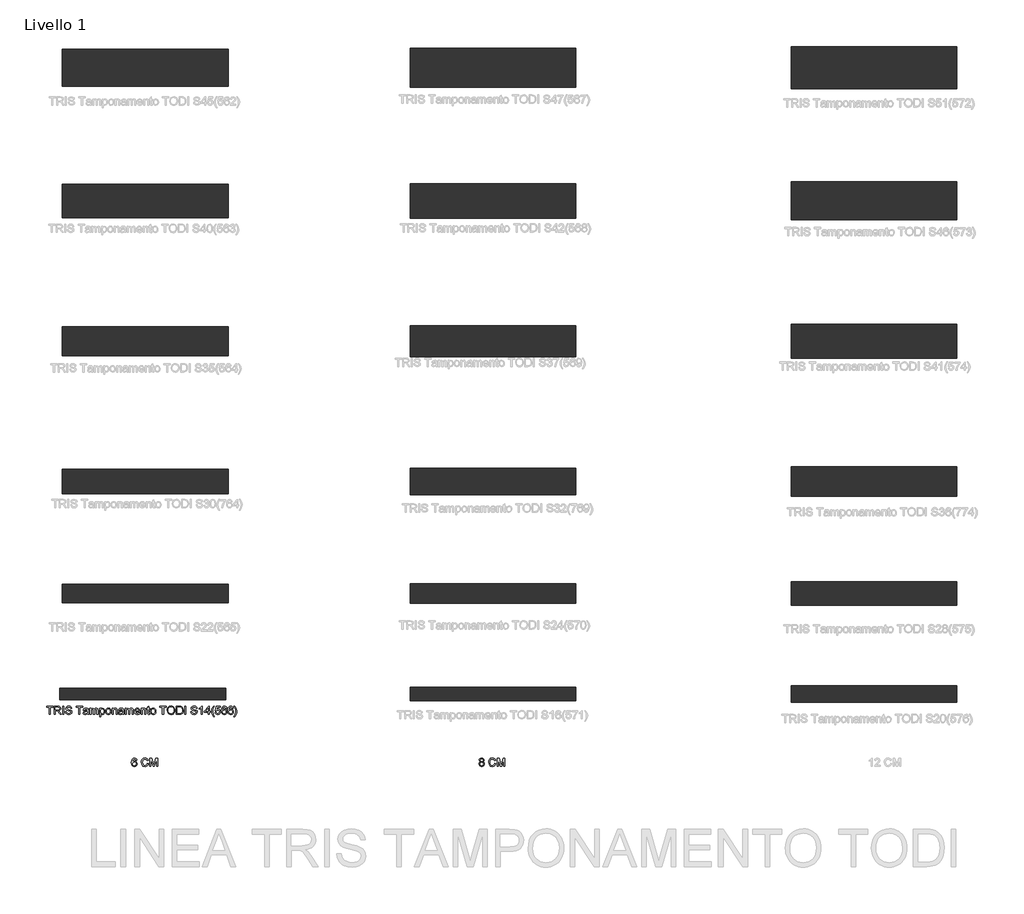
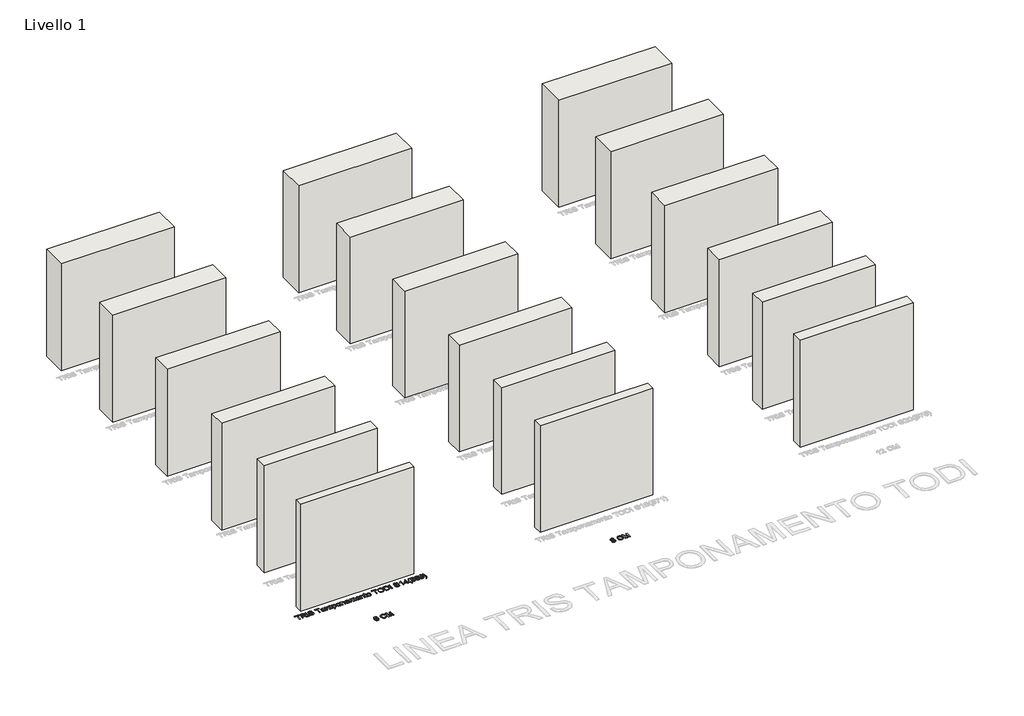
# One storey, part 1 of 18: 18 walls, 3 proxies.
"""IFC4 building model written with IfcOpenShell, lengths in millimetres."""

from ifc_helpers import new_model, si_unit, origin, origin_with_axes, place, context, project, spatial, polyline, outline, extrude, element, save

model = new_model("IFC4")

# Units and contexts
model_context = context("Model", 3, world=origin())
ifc_project = project(units=[si_unit("LENGTHUNIT", "METRE", prefix="MILLI")], contexts=[model_context])

# Site, building, storey
site = spatial("IfcSite", under=ifc_project)
building = spatial("IfcBuilding", under=site)
storey = spatial("IfcBuildingStorey", under=building, Name="Livello 1", Elevation=0.0)

# Proxies
placement = place(None, origin())
element("IfcBuildingElementProxy", 1, Name="100", ObjectType="100", at=placement, inside=storey, context=model_context, shape_type="SweptSolid", body=[
    extrude(outline(polyline([(-4520.2554524, -4763.4862238), (-4532.8124911, -4765.0558537), (-4537.5704316, -4754.5834795), (-4550.1519958, -4749.3595552), (-4561.4827613, -4752.400713), (-4570.0544118, -4763.8173176), (-4573.6228671, -4786.1968057), (-4562.5496191, -4776.1781527), (-4548.8276206, -4772.9040029), (-4537.2270751, -4775.1419517), (-4527.4904649, -4781.8557981), (-4520.8869831, -4792.1135744), (-4518.6858225, -4804.9833129), (-4522.8306263, -4822.3105549), (-4534.2349682, -4834.573288), (-4550.6915561, -4838.8284564), (-4564.9377864, -4836.0080278), (-4576.2838802, -4827.5467419), (-4583.7058995, -4812.6107329), (-4586.1799059, -4790.3661349), (-4583.4330537, -4765.3562906), (-4575.192497, -4748.2559092), (-4563.9414393, -4739.6658646), (-4549.3671809, -4736.8025164), (-4538.3491151, -4738.5744814), (-4529.5260786, -4743.8903762), (-4523.3456611, -4752.333268), (-4520.2554524, -4763.4862238)]), holes=[polyline([(-4573.6228671, -4804.7871092), (-4570.7165994, -4815.6641535), (-4562.9910775, -4823.5613536), (-4551.6725747, -4826.2714177), (-4543.3860328, -4824.8673347), (-4536.8714558, -4820.6550859), (-4532.6500099, -4814.03321), (-4531.2428613, -4805.4002458), (-4532.6316158, -4797.1137039), (-4536.7978794, -4790.7953306), (-4543.422821, -4786.7946139), (-4552.1876095, -4785.4610417), (-4567.3811359, -4790.7953306), (-4572.0624343, -4796.9604197), (-4573.6228671, -4804.7871092)])]), origin_with_axes(), (0.0, 0.0, 1.0), 5.0),
    extrude(outline(polyline([(-4393.1154348, -4801.5497476), (-4380.5583961, -4804.7871092), (-4386.3525375, -4819.4196155), (-4395.4453541, -4830.1096532), (-4407.3892562, -4836.6487556), (-4421.736654, -4838.8284564), (-4436.3017154, -4837.1791188), (-4447.8685384, -4832.231106), (-4456.7344945, -4824.1560962), (-4463.1969549, -4813.1257677), (-4468.4576674, -4786.2703821), (-4466.970811, -4771.6225473), (-4462.5102418, -4758.973538), (-4455.3089518, -4748.7249588), (-4445.5999328, -4741.2784141), (-4434.0852264, -4736.7442685), (-4421.4668739, -4735.2328866), (-4407.6988902, -4737.1887925), (-4396.3160082, -4743.0565104), (-4387.673847, -4752.4742894), (-4382.1280259, -4765.0803791), (-4394.6850647, -4768.072486), (-4404.9857605, -4752.633705), (-4421.9573832, -4747.7899254), (-4441.6022818, -4753.1610025), (-4452.7000553, -4767.5819767), (-4455.9006287, -4786.2458566), (-4452.1114441, -4807.8773179), (-4440.3146948, -4821.6974182), (-4422.9874528, -4826.2714177), (-4412.5058816, -4824.7140506), (-4403.7717499, -4820.0419492), (-4397.1774652, -4812.3041646), (-4393.1154348, -4801.5497476)])), origin_with_axes(), (0.0, 0.0, 1.0), 5.0),
    extrude(outline(polyline([(-4363.2924677, -4837.2588266), (-4363.2924677, -4736.8025164), (-4341.6855319, -4736.8025164), (-4321.1331911, -4807.6075378), (-4316.9883873, -4822.396394), (-4312.5002269, -4806.3812645), (-4292.2912427, -4736.8025164), (-4270.6843068, -4736.8025164), (-4270.6843068, -4837.2588266), (-4283.2413456, -4837.2588266), (-4283.2413456, -4749.3595552), (-4308.4780505, -4837.2588266), (-4325.4987241, -4837.2588266), (-4350.735429, -4749.3595552), (-4350.735429, -4837.2588266), (-4363.2924677, -4837.2588266)])), origin_with_axes(), (0.0, 0.0, 1.0), 5.0),
])
element("IfcBuildingElementProxy", 2, Name="100", ObjectType="100", at=placement, inside=storey, context=model_context, shape_type="SweptSolid", body=[
    extrude(outline(polyline([(-372.0477209, -4781.9293745), (-383.488851, -4774.1302762), (-387.2044591, -4761.9901704), (-385.1811082, -4752.1738525), (-379.1110552, -4744.0620545), (-369.6748821, -4738.617401), (-357.5531703, -4736.8025164), (-345.3578822, -4738.6603205), (-335.7990817, -4744.2337327), (-329.6186641, -4752.4742894), (-327.558525, -4762.3335269), (-331.2250822, -4774.1670644), (-342.3473812, -4781.9293745), (-328.9932648, -4791.7763493), (-324.4192653, -4808.0244707), (-326.6878709, -4820.0296865), (-333.4936878, -4829.9502376), (-344.0028502, -4836.6089017), (-357.3814921, -4838.8284564), (-370.7601339, -4836.5997047), (-381.2692963, -4829.9134494), (-388.0751132, -4819.8978621), (-390.3437188, -4807.6811142), (-385.5857783, -4791.052848), (-372.0477209, -4781.9293745)]), holes=[polyline([(-377.7866801, -4807.2396558), (-375.6897527, -4816.6942231), (-368.2707991, -4823.7698201), (-357.2833902, -4826.2714177), (-348.7362652, -4824.9562395), (-342.3228557, -4821.0107051), (-336.9763041, -4807.6320633), (-342.494534, -4793.995904), (-349.0550962, -4789.949202), (-357.7003231, -4788.6003014), (-366.1278865, -4789.9308079), (-372.4769166, -4793.9223276), (-377.7866801, -4807.2396558)]), polyline([(-374.6474204, -4762.3580524), (-370.1960482, -4772.2172898), (-357.2343393, -4776.0432626), (-344.5301477, -4772.2418153), (-340.1155637, -4762.9221381), (-344.6773005, -4753.2713671), (-357.3814921, -4749.3595552), (-370.1224718, -4753.185528), (-374.6474204, -4762.3580524)])]), origin_with_axes(), (0.0, 0.0, 1.0), 5.0),
    extrude(outline(polyline([(-198.8488776, -4801.5497476), (-186.2918388, -4804.7871092), (-192.0859803, -4819.4196155), (-201.1787969, -4830.1096532), (-213.122699, -4836.6487556), (-227.4700968, -4838.8284564), (-242.0351581, -4837.1791188), (-253.6019812, -4832.231106), (-262.4679373, -4824.1560962), (-268.9303977, -4813.1257677), (-274.1911102, -4786.2703821), (-272.7042538, -4771.6225473), (-268.2436846, -4758.973538), (-261.0423946, -4748.7249588), (-251.3333756, -4741.2784141), (-239.8186691, -4736.7442685), (-227.2003167, -4735.2328866), (-213.432333, -4737.1887925), (-202.049451, -4743.0565104), (-193.4072898, -4752.4742894), (-187.8614687, -4765.0803791), (-200.4185074, -4768.072486), (-210.7192033, -4752.633705), (-227.690826, -4747.7899254), (-247.3357246, -4753.1610025), (-258.4334981, -4767.5819767), (-261.6340714, -4786.2458566), (-257.8448869, -4807.8773179), (-246.0481376, -4821.6974182), (-228.7208956, -4826.2714177), (-218.2393244, -4824.7140506), (-209.5051927, -4820.0419492), (-202.910908, -4812.3041646), (-198.8488776, -4801.5497476)])), origin_with_axes(), (0.0, 0.0, 1.0), 5.0),
    extrude(outline(polyline([(-169.0259105, -4837.2588266), (-169.0259105, -4736.8025164), (-147.4189747, -4736.8025164), (-126.8666339, -4807.6075378), (-122.7218301, -4822.396394), (-118.2336697, -4806.3812645), (-98.0246855, -4736.8025164), (-76.4177496, -4736.8025164), (-76.4177496, -4837.2588266), (-88.9747884, -4837.2588266), (-88.9747884, -4749.3595552), (-114.2114932, -4837.2588266), (-131.2321669, -4837.2588266), (-156.4688718, -4749.3595552), (-156.4688718, -4837.2588266), (-169.0259105, -4837.2588266)])), origin_with_axes(), (0.0, 0.0, 1.0), 5.0),
])
element("IfcBuildingElementProxy", 3, Name="100", ObjectType="100", at=placement, inside=storey, context=model_context, shape_type="SweptSolid", body=[
    extrude(outline(polyline([(-5578.7954121, -4209.4297469), (-5578.7954121, -4121.5304755), (-5611.7576389, -4121.5304755), (-5611.7576389, -4108.9734368), (-5533.2761466, -4108.9734368), (-5533.2761466, -4121.5304755), (-5566.2383734, -4121.5304755), (-5566.2383734, -4209.4297469), (-5578.7954121, -4209.4297469)])), origin_with_axes(), (0.0, 0.0, 1.0), 5.0),
    extrude(outline(polyline([(-5519.149478, -4209.4297469), (-5519.149478, -4108.9734368), (-5475.8620299, -4108.9734368), (-5455.7634102, -4111.6835008), (-5444.7760013, -4121.2729581), (-5440.6679857, -4136.4664845), (-5442.3694399, -4146.3625102), (-5447.4738026, -4154.5662787), (-5456.1343579, -4160.5811493), (-5468.50439, -4163.9104814), (-5461.3674793, -4169.2815585), (-5451.1894107, -4182.2064793), (-5434.4385172, -4209.4297469), (-5449.0311697, -4209.4297469), (-5462.1032433, -4188.607626), (-5471.5455478, -4174.8243139), (-5478.1796864, -4168.3128026), (-5484.1516375, -4165.9215696), (-5491.435701, -4165.4801112), (-5506.5924392, -4165.4801112), (-5506.5924392, -4209.4297469), (-5519.149478, -4209.4297469)]), holes=[polyline([(-5506.5924392, -4152.9230724), (-5478.4862548, -4152.9230724), (-5464.1511197, -4151.1449761), (-5456.0086649, -4145.4550679), (-5453.2250244, -4136.9324684), (-5458.5347879, -4125.8714831), (-5475.3224696, -4121.5304755), (-5506.5924392, -4121.5304755), (-5506.5924392, -4152.9230724)])]), origin_with_axes(), (0.0, 0.0, 1.0), 5.0),
    extrude(outline(polyline([(-5417.123538, -4209.4297469), (-5417.123538, -4108.9734368), (-5404.5664992, -4108.9734368), (-5404.5664992, -4209.4297469), (-5417.123538, -4209.4297469)])), origin_with_axes(), (0.0, 0.0, 1.0), 5.0),
    extrude(outline(polyline([(-5384.1613112, -4174.8978903), (-5371.6042724, -4174.8978903), (-5367.5575705, -4187.4671918), (-5357.6738076, -4195.4134429), (-5342.6151712, -4198.442338), (-5329.4940467, -4196.1492069), (-5321.0204981, -4189.846162), (-5318.2368577, -4181.4216643), (-5320.3215223, -4173.5857778), (-5328.8563846, -4167.8836069), (-5347.1401198, -4163.0888782), (-5366.8218065, -4156.896198), (-5377.5026471, -4147.5519953), (-5381.0220515, -4135.0685329), (-5376.6687812, -4120.8560252), (-5363.9523269, -4110.8251095), (-5345.337498, -4107.4038069), (-5325.4718702, -4110.984525), (-5312.2281184, -4121.5059501), (-5307.2494488, -4137.226774), (-5319.8064875, -4137.226774), (-5322.1118814, -4129.734244), (-5326.9188728, -4124.3263787), (-5344.8469887, -4119.9608457), (-5362.8241555, -4124.2773278), (-5368.4650128, -4134.700651), (-5364.4673617, -4143.4071915), (-5343.9640719, -4150.4214749), (-5321.7439994, -4156.7245197), (-5309.5916308, -4166.9025883), (-5305.6798189, -4181.1028333), (-5310.180242, -4196.1246814), (-5323.1296882, -4207.0875649), (-5342.1246619, -4210.9993768), (-5364.5532009, -4206.7809965), (-5378.7411832, -4194.076805), (-5384.1613112, -4174.8978903)])), origin_with_axes(), (0.0, 0.0, 1.0), 5.0),
    extrude(outline(polyline([(-5222.4894371, -4209.4297469), (-5222.4894371, -4121.5304755), (-5255.4516638, -4121.5304755), (-5255.4516638, -4108.9734368), (-5176.9701715, -4108.9734368), (-5176.9701715, -4121.5304755), (-5209.9323983, -4121.5304755), (-5209.9323983, -4209.4297469), (-5222.4894371, -4209.4297469)])), origin_with_axes(), (0.0, 0.0, 1.0), 5.0),
    extrude(outline(polyline([(-5117.3242374, -4200.0119678), (-5129.5011314, -4208.5223047), (-5142.9533497, -4210.9993768), (-5153.4471836, -4209.5094547), (-5161.1880339, -4205.0396884), (-5165.9613028, -4198.2522656), (-5167.5523925, -4189.8093738), (-5165.1488968, -4179.87656), (-5158.8335892, -4172.6660729), (-5150.0412095, -4168.5457945), (-5139.1764279, -4166.6573336), (-5117.3978138, -4162.3408515), (-5117.3242374, -4159.5449484), (-5120.7823281, -4150.2743221), (-5134.6637421, -4146.6445531), (-5147.3679337, -4149.0603115), (-5153.4257238, -4157.631962), (-5165.9827626, -4156.0623321), (-5160.5503718, -4143.799599), (-5149.6120138, -4136.6136373), (-5133.0450613, -4134.0875143), (-5117.8270094, -4136.3193317), (-5109.2308335, -4141.9234008), (-5105.3803353, -4150.4460003), (-5104.7671986, -4161.4334093), (-5104.7671986, -4177.0561313), (-5104.1295365, -4198.8715336), (-5101.6279389, -4209.4297469), (-5114.1849777, -4209.4297469), (-5117.3242374, -4200.0119678)]), holes=[polyline([(-5117.3242374, -4174.8978903), (-5137.5822726, -4178.7483885), (-5148.3857405, -4180.7840022), (-5153.278571, -4184.0949402), (-5154.9953537, -4188.926457), (-5151.2552201, -4195.7200112), (-5140.2800739, -4198.442338), (-5127.5758823, -4195.4379684), (-5119.3843766, -4188.1661676), (-5117.3978138, -4178.4540829), (-5117.3242374, -4174.8978903)])]), origin_with_axes(), (0.0, 0.0, 1.0), 5.0),
    extrude(outline(polyline([(-5087.5012703, -4209.4297469), (-5087.5012703, -4135.6571441), (-5074.9442315, -4135.6571441), (-5074.9442315, -4147.79725), (-5066.3112674, -4137.8521734), (-5054.0240087, -4134.0875143), (-5041.4424445, -4137.9257498), (-5034.526263, -4148.6801668), (-5024.7283392, -4137.7356774), (-5012.3552414, -4134.0875143), (-5002.9160026, -4135.6050275), (-4995.9354417, -4140.1575672), (-4991.6220253, -4147.8677607), (-4990.1842198, -4158.8582353), (-4990.1842198, -4209.4297469), (-5002.7412586, -4209.4297469), (-5002.7412586, -4164.2538379), (-5003.9062183, -4153.769201), (-5008.1245985, -4148.6065904), (-5015.2982974, -4146.6445531), (-5027.6468697, -4151.6722737), (-5031.3348867, -4158.2144418), (-5032.5642257, -4167.7855051), (-5032.5642257, -4209.4297469), (-5045.1212645, -4209.4297469), (-5045.1212645, -4162.8558863), (-5048.0275322, -4150.691255), (-5057.5556759, -4146.6445531), (-5066.8508276, -4149.3423544), (-5073.0312452, -4157.2395545), (-5074.9442315, -4172.2246145), (-5074.9442315, -4209.4297469), (-5087.5012703, -4209.4297469)])), origin_with_axes(), (0.0, 0.0, 1.0), 5.0),
    extrude(outline(polyline([(-4971.3486617, -4237.6830841), (-4971.3486617, -4135.6571441), (-4958.7916229, -4135.6571441), (-4958.7916229, -4147.9689282), (-4950.1096078, -4137.5578678), (-4938.3864349, -4134.0875143), (-4922.4694073, -4138.9435566), (-4912.0706095, -4152.6287669), (-4908.5634678, -4171.9793598), (-4912.5243307, -4192.3232341), (-4924.0267744, -4206.1801226), (-4939.9070138, -4210.9993768), (-4950.8331091, -4207.7742779), (-4958.7916229, -4199.6195604), (-4958.7916229, -4237.6830841), (-4971.3486617, -4237.6830841)]), holes=[polyline([(-4958.7916229, -4173.1320567), (-4957.4335252, -4184.3892458), (-4953.3592321, -4192.2619205), (-4947.3474272, -4196.8972336), (-4940.176794, -4198.442338), (-4932.8896648, -4196.8420513), (-4926.7245757, -4192.0411913), (-4922.5215239, -4183.8803423), (-4921.1205066, -4172.200089), (-4922.4878014, -4161.0042136), (-4926.5896856, -4153.0211743), (-4932.5922935, -4148.2387084), (-4939.6617592, -4146.6445531), (-4946.758816, -4148.3398759), (-4952.9913501, -4153.4258445), (-4957.3415547, -4161.7430433), (-4958.7916229, -4173.1320567)])]), origin_with_axes(), (0.0, 0.0, 1.0), 5.0),
    extrude(outline(polyline([(-4897.5760589, -4172.5434455), (-4894.8598635, -4154.7563511), (-4886.7112773, -4142.2544946), (-4876.6435734, -4136.1292594), (-4864.5893067, -4134.0875143), (-4851.3976715, -4136.5737834), (-4840.860918, -4144.0325909), (-4833.9539335, -4155.8753255), (-4831.6516054, -4171.5133759), (-4835.7228328, -4193.8560758), (-4847.5808958, -4206.4989537), (-4864.5893067, -4210.9993768), (-4877.9403574, -4208.5223047), (-4888.4648482, -4201.0910884), (-4895.2982562, -4189.0000334), (-4897.5760589, -4172.5434455)]), holes=[polyline([(-4885.0190202, -4172.5189201), (-4883.5658863, -4183.883408), (-4879.2064846, -4191.9798776), (-4872.6459224, -4196.8267229), (-4864.5893067, -4198.442338), (-4856.5694792, -4196.8175258), (-4850.0211797, -4191.9430894), (-4845.661778, -4183.7393209), (-4844.2086442, -4172.1265126), (-4845.6709751, -4161.0931184), (-4850.0579679, -4153.1070134), (-4856.6154644, -4148.2601682), (-4864.5893067, -4146.6445531), (-4872.6459224, -4148.2540368), (-4879.2064846, -4153.082488), (-4883.5658863, -4161.1605635), (-4885.0190202, -4172.5189201)])]), origin_with_axes(), (0.0, 0.0, 1.0), 5.0),
    extrude(outline(polyline([(-4817.5249368, -4209.4297469), (-4817.5249368, -4135.6571441), (-4804.967898, -4135.6571441), (-4804.967898, -4145.95784), (-4795.3661779, -4137.0550957), (-4782.2573162, -4134.0875143), (-4770.3992532, -4136.4787473), (-4762.3058493, -4142.7572666), (-4758.5411902, -4151.9911047), (-4757.8790026, -4164.1312106), (-4757.8790026, -4209.4297469), (-4770.4360414, -4209.4297469), (-4770.4360414, -4165.8234677), (-4771.8830439, -4154.7134315), (-4776.9966036, -4148.8395823), (-4785.6173051, -4146.6445531), (-4799.2412016, -4151.5741718), (-4803.5362239, -4158.7172139), (-4804.967898, -4170.2871026), (-4804.967898, -4209.4297469), (-4817.5249368, -4209.4297469)])), origin_with_axes(), (0.0, 0.0, 1.0), 5.0),
    extrude(outline(polyline([(-4693.5241789, -4200.0119678), (-4705.701073, -4208.5223047), (-4719.1532913, -4210.9993768), (-4729.6471252, -4209.5094547), (-4737.3879755, -4205.0396884), (-4742.1612444, -4198.2522656), (-4743.752334, -4189.8093738), (-4741.3488383, -4179.87656), (-4735.0335307, -4172.6660729), (-4726.241151, -4168.5457945), (-4715.3763694, -4166.6573336), (-4693.5977553, -4162.3408515), (-4693.5241789, -4159.5449484), (-4696.9822697, -4150.2743221), (-4710.8636836, -4146.6445531), (-4723.5678752, -4149.0603115), (-4729.6256654, -4157.631962), (-4742.1827042, -4156.0623321), (-4736.7503134, -4143.799599), (-4725.8119554, -4136.6136373), (-4709.2450029, -4134.0875143), (-4694.026951, -4136.3193317), (-4685.430775, -4141.9234008), (-4681.5802768, -4150.4460003), (-4680.9671402, -4161.4334093), (-4680.9671402, -4177.0561313), (-4680.329478, -4198.8715336), (-4677.8278805, -4209.4297469), (-4690.3849192, -4209.4297469), (-4693.5241789, -4200.0119678)]), holes=[polyline([(-4693.5241789, -4174.8978903), (-4713.7822141, -4178.7483885), (-4724.5856821, -4180.7840022), (-4729.4785126, -4184.0949402), (-4731.1952952, -4188.926457), (-4727.4551616, -4195.7200112), (-4716.4800154, -4198.442338), (-4703.7758239, -4195.4379684), (-4695.5843181, -4188.1661676), (-4693.5977553, -4178.4540829), (-4693.5241789, -4174.8978903)])]), origin_with_axes(), (0.0, 0.0, 1.0), 5.0),
    extrude(outline(polyline([(-4663.7012119, -4209.4297469), (-4663.7012119, -4135.6571441), (-4651.1441731, -4135.6571441), (-4651.1441731, -4147.79725), (-4642.5112089, -4137.8521734), (-4630.2239503, -4134.0875143), (-4617.6423861, -4137.9257498), (-4610.7262046, -4148.6801668), (-4600.9282807, -4137.7356774), (-4588.555183, -4134.0875143), (-4579.1159441, -4135.6050275), (-4572.1353833, -4140.1575672), (-4567.8219669, -4147.8677607), (-4566.3841614, -4158.8582353), (-4566.3841614, -4209.4297469), (-4578.9412002, -4209.4297469), (-4578.9412002, -4164.2538379), (-4580.1061598, -4153.769201), (-4584.32454, -4148.6065904), (-4591.4982389, -4146.6445531), (-4603.8468112, -4151.6722737), (-4607.5348282, -4158.2144418), (-4608.7641672, -4167.7855051), (-4608.7641672, -4209.4297469), (-4621.321206, -4209.4297469), (-4621.321206, -4162.8558863), (-4624.2274738, -4150.691255), (-4633.7556175, -4146.6445531), (-4643.0507692, -4149.3423544), (-4649.2311867, -4157.2395545), (-4651.1441731, -4172.2246145), (-4651.1441731, -4209.4297469), (-4663.7012119, -4209.4297469)])), origin_with_axes(), (0.0, 0.0, 1.0), 5.0),
    extrude(outline(polyline([(-4495.8979711, -4187.4549291), (-4483.586187, -4189.0245589), (-4488.0222307, -4198.3013166), (-4495.1008935, -4205.2358922), (-4504.6627597, -4209.5585056), (-4516.5484138, -4210.9993768), (-4531.2820877, -4208.5131076), (-4542.6189845, -4201.0543002), (-4549.8478657, -4189.1073324), (-4552.2574928, -4173.1565822), (-4549.8233403, -4156.6693374), (-4542.5208826, -4144.3391592), (-4531.33727, -4136.6504255), (-4517.2596523, -4134.0875143), (-4503.6204273, -4136.6442942), (-4492.7219232, -4144.3146338), (-4485.5758155, -4156.6202865), (-4483.1937796, -4173.0830058), (-4483.267356, -4176.4675201), (-4539.700454, -4176.4675201), (-4537.5268846, -4185.8669051), (-4532.4777042, -4192.7769553), (-4525.190575, -4197.0259923), (-4516.3031591, -4198.442338), (-4503.991375, -4195.8181131), (-4495.8979711, -4187.4549291)]), holes=[polyline([(-4539.700454, -4163.9104814), (-4495.7508183, -4163.9104814), (-4500.7785389, -4152.530665), (-4508.0993906, -4148.116081), (-4517.3087032, -4146.6445531), (-4532.7720098, -4151.3411799), (-4537.6372492, -4156.8318186), (-4539.700454, -4163.9104814)])]), origin_with_axes(), (0.0, 0.0, 1.0), 5.0),
    extrude(outline(polyline([(-4470.6367408, -4209.4297469), (-4470.6367408, -4135.6571441), (-4458.079702, -4135.6571441), (-4458.079702, -4145.95784), (-4448.4779819, -4137.0550957), (-4435.3691202, -4134.0875143), (-4423.5110572, -4136.4787473), (-4415.4176533, -4142.7572666), (-4411.6529942, -4151.9911047), (-4410.9908066, -4164.1312106), (-4410.9908066, -4209.4297469), (-4423.5478454, -4209.4297469), (-4423.5478454, -4165.8234677), (-4424.9948479, -4154.7134315), (-4430.1084077, -4148.8395823), (-4438.7291091, -4146.6445531), (-4452.3530056, -4151.5741718), (-4456.6480279, -4158.7172139), (-4458.079702, -4170.2871026), (-4458.079702, -4209.4297469), (-4470.6367408, -4209.4297469)])), origin_with_axes(), (0.0, 0.0, 1.0), 5.0),
    extrude(outline(polyline([(-4367.0411709, -4198.9573728), (-4365.4715411, -4209.7976289), (-4374.8647947, -4210.9993768), (-4385.3862198, -4208.9147121), (-4390.6346696, -4203.4455331), (-4392.1552485, -4189.1962372), (-4392.1552485, -4148.2141829), (-4401.5730276, -4148.2141829), (-4401.5730276, -4135.6571441), (-4392.1552485, -4135.6571441), (-4392.1552485, -4117.7290282), (-4379.5982097, -4110.3468629), (-4379.5982097, -4135.6571441), (-4367.0411709, -4135.6571441), (-4367.0411709, -4148.2141829), (-4379.5982097, -4148.2141829), (-4379.5982097, -4188.8283552), (-4378.9360221, -4195.3030783), (-4376.7900438, -4197.5962094), (-4372.5103499, -4198.442338), (-4367.0411709, -4198.9573728)])), origin_with_axes(), (0.0, 0.0, 1.0), 5.0),
    extrude(outline(polyline([(-4357.6233919, -4172.5434455), (-4354.9071965, -4154.7563511), (-4346.7586103, -4142.2544946), (-4336.6909063, -4136.1292594), (-4324.6366396, -4134.0875143), (-4311.4450044, -4136.5737834), (-4300.9082509, -4144.0325909), (-4294.0012665, -4155.8753255), (-4291.6989383, -4171.5133759), (-4295.7701657, -4193.8560758), (-4307.6282287, -4206.4989537), (-4324.6366396, -4210.9993768), (-4337.9876904, -4208.5223047), (-4348.5121811, -4201.0910884), (-4355.3455892, -4189.0000334), (-4357.6233919, -4172.5434455)]), holes=[polyline([(-4345.0663531, -4172.5189201), (-4343.6132192, -4183.883408), (-4339.2538176, -4191.9798776), (-4332.6932553, -4196.8267229), (-4324.6366396, -4198.442338), (-4316.6168121, -4196.8175258), (-4310.0685126, -4191.9430894), (-4305.709111, -4183.7393209), (-4304.2559771, -4172.1265126), (-4305.718308, -4161.0931184), (-4310.1053008, -4153.1070134), (-4316.6627974, -4148.2601682), (-4324.6366396, -4146.6445531), (-4332.6932553, -4148.2540368), (-4339.2538176, -4153.082488), (-4343.6132192, -4161.1605635), (-4345.0663531, -4172.5189201)])]), origin_with_axes(), (0.0, 0.0, 1.0), 5.0),
    extrude(outline(polyline([(-4211.6478162, -4209.4297469), (-4211.6478162, -4121.5304755), (-4244.610043, -4121.5304755), (-4244.610043, -4108.9734368), (-4166.1285506, -4108.9734368), (-4166.1285506, -4121.5304755), (-4199.0907774, -4121.5304755), (-4199.0907774, -4209.4297469), (-4211.6478162, -4209.4297469)])), origin_with_axes(), (0.0, 0.0, 1.0), 5.0),
    extrude(outline(polyline([(-4156.7107716, -4160.525967), (-4153.3630454, -4138.3120259), (-4143.3198669, -4121.5059501), (-4127.9853191, -4110.9293427), (-4108.7634849, -4107.4038069), (-4095.5871781, -4109.0592759), (-4083.7720347, -4114.0256828), (-4073.9618481, -4121.9535398), (-4066.800412, -4132.493359), (-4062.4226162, -4145.1362369), (-4060.963351, -4159.3732701), (-4062.4992583, -4173.8003757), (-4067.1069803, -4186.6210632), (-4074.5320652, -4197.1792765), (-4084.5200614, -4204.8189592), (-4096.2340372, -4209.4542724), (-4108.8370613, -4210.9993768), (-4122.2157032, -4209.2917912), (-4134.0982916, -4204.1690344), (-4143.8839527, -4196.0940246), (-4150.9718124, -4185.52968), (-4156.7107716, -4160.525967)]), holes=[polyline([(-4144.1537328, -4160.6485943), (-4141.6429382, -4176.3632869), (-4134.1105543, -4188.3378459), (-4122.7889859, -4195.916215), (-4108.9106377, -4198.442338), (-4094.8299543, -4195.8916895), (-4083.4899918, -4188.239744), (-4076.0127902, -4175.897303), (-4073.5203897, -4159.2751682), (-4077.7878209, -4138.5511492), (-4090.2590205, -4124.8291508), (-4108.6899085, -4119.9608457), (-4122.1973091, -4122.3060934), (-4133.6813587, -4129.3418366), (-4141.5356393, -4141.8590214), (-4144.1537328, -4160.6485943)])]), origin_with_axes(), (0.0, 0.0, 1.0), 5.0),
    extrude(outline(polyline([(-4043.6974227, -4209.4297469), (-4043.6974227, -4108.9734368), (-4009.0429387, -4108.9734368), (-3991.1148228, -4110.4204393), (-3976.3504921, -4117.6064009), (-3964.4556409, -4134.7742274), (-3960.5070408, -4158.6620316), (-3963.1803166, -4178.9323295), (-3970.0474472, -4193.5617702), (-3979.2199716, -4202.6729809), (-3991.2251874, -4207.7129643), (-4007.375207, -4209.4297469), (-4043.6974227, -4209.4297469)]), holes=[polyline([(-4031.1403839, -4196.8727081), (-4008.9203114, -4196.8727081), (-3992.7580291, -4195.0578236), (-3983.4383518, -4189.9320012), (-3975.7986691, -4177.4608015), (-3973.0640796, -4158.4658278), (-3974.4037832, -4144.7806176), (-3978.422894, -4134.6761255), (-3991.4581793, -4123.5415638), (-4009.2636679, -4121.5304755), (-4031.1403839, -4121.5304755), (-4031.1403839, -4196.8727081)])]), origin_with_axes(), (0.0, 0.0, 1.0), 5.0),
    extrude(outline(polyline([(-3941.6714827, -4209.4297469), (-3941.6714827, -4108.9734368), (-3929.1144439, -4108.9734368), (-3929.1144439, -4209.4297469), (-3941.6714827, -4209.4297469)])), origin_with_axes(), (0.0, 0.0, 1.0), 5.0),
    extrude(outline(polyline([(-3869.4685097, -4174.8978903), (-3856.911471, -4174.8978903), (-3852.864769, -4187.4671918), (-3842.9810061, -4195.4134429), (-3827.9223698, -4198.442338), (-3814.8012453, -4196.1492069), (-3806.3276966, -4189.846162), (-3803.5440562, -4181.4216643), (-3805.6287208, -4173.5857778), (-3814.1635831, -4167.8836069), (-3832.4473183, -4163.0888782), (-3852.129005, -4156.896198), (-3862.8098456, -4147.5519953), (-3866.32925, -4135.0685329), (-3861.9759798, -4120.8560252), (-3849.2595255, -4110.8251095), (-3830.6446965, -4107.4038069), (-3810.7790688, -4110.984525), (-3797.5353169, -4121.5059501), (-3792.5566473, -4137.226774), (-3805.113686, -4137.226774), (-3807.4190799, -4129.734244), (-3812.2260713, -4124.3263787), (-3830.1541872, -4119.9608457), (-3848.131354, -4124.2773278), (-3853.7722113, -4134.700651), (-3849.7745603, -4143.4071915), (-3829.2712704, -4150.4214749), (-3807.0511979, -4156.7245197), (-3794.8988293, -4166.9025883), (-3790.9870174, -4181.1028333), (-3795.4874405, -4196.1246814), (-3808.4368867, -4207.0875649), (-3827.4318604, -4210.9993768), (-3849.8603994, -4206.7809965), (-3864.0483817, -4194.076805), (-3869.4685097, -4174.8978903)])), origin_with_axes(), (0.0, 0.0, 1.0), 5.0),
    extrude(outline(polyline([(-3729.7714534, -4209.4297469), (-3742.3284922, -4209.4297469), (-3742.3284922, -4131.1444583), (-3754.2233434, -4139.618007), (-3767.4425697, -4145.95784), (-3767.4425697, -4134.0875143), (-3749.0362073, -4122.3398159), (-3737.8648573, -4108.9734368), (-3729.7714534, -4108.9734368), (-3729.7714534, -4209.4297469)])), origin_with_axes(), (0.0, 0.0, 1.0), 5.0),
    extrude(outline(polyline([(-3659.1381104, -4209.4297469), (-3659.1381104, -4185.8852992), (-3704.6573759, -4185.8852992), (-3704.6573759, -4173.3282604), (-3655.9988507, -4110.5430666), (-3646.5810716, -4110.5430666), (-3646.5810716, -4173.3282604), (-3634.0240328, -4173.3282604), (-3634.0240328, -4185.8852992), (-3646.5810716, -4185.8852992), (-3646.5810716, -4209.4297469), (-3659.1381104, -4209.4297469)]), holes=[polyline([(-3659.1381104, -4173.3282604), (-3659.1381104, -4134.5289727), (-3689.2063321, -4173.3282604), (-3659.1381104, -4173.3282604)])]), origin_with_axes(), (0.0, 0.0, 1.0), 5.0),
    extrude(outline(polyline([(-3594.7832867, -4237.6830841), (-3612.6133007, -4208.2279991), (-3618.0763483, -4191.0479099), (-3619.8973642, -4173.254684), (-3614.4527107, -4142.7204784), (-3594.7832867, -4108.9734368), (-3585.3655076, -4108.9734368), (-3597.113206, -4128.86359), (-3604.1765403, -4148.1406065), (-3607.3403254, -4173.3282604), (-3601.846621, -4205.517935), (-3585.3655076, -4237.6830841), (-3594.7832867, -4237.6830841)])), origin_with_axes(), (0.0, 0.0, 1.0), 5.0),
    extrude(outline(polyline([(-3575.9477285, -4182.7460395), (-3563.3906898, -4181.1764097), (-3557.0631194, -4194.1135932), (-3543.9419949, -4198.442338), (-3534.9411488, -4196.9370875), (-3528.1966455, -4192.421336), (-3523.9843967, -4185.4162497), (-3522.5803138, -4176.4429947), (-3527.8410263, -4161.5315111), (-3534.4475738, -4157.4296269), (-3543.7457912, -4156.0623321), (-3554.7699883, -4158.2450986), (-3561.8210599, -4163.9104814), (-3574.3780987, -4162.3408515), (-3563.3906898, -4110.5430666), (-3514.7321645, -4110.5430666), (-3514.7321645, -4123.1001054), (-3553.2371467, -4123.1001054), (-3558.6082238, -4150.7648314), (-3549.6380345, -4145.3201779), (-3540.2386495, -4143.5052934), (-3528.5062796, -4145.7555049), (-3518.7666037, -4152.5061395), (-3512.2091072, -4162.7945727), (-3510.023275, -4175.6581798), (-3511.9914437, -4188.2152185), (-3517.8959497, -4198.9573728), (-3529.2021897, -4207.9888758), (-3543.9910459, -4210.9993768), (-3556.3242898, -4209.0649306), (-3566.1498047, -4203.2615921), (-3572.8851109, -4194.2638117), (-3575.9477285, -4182.7460395)])), origin_with_axes(), (0.0, 0.0, 1.0), 5.0),
    extrude(outline(polyline([(-3434.6810424, -4135.6571441), (-3447.2380811, -4137.226774), (-3451.9960216, -4126.7543999), (-3464.5775858, -4121.5304755), (-3475.9083513, -4124.5716334), (-3484.4800018, -4135.9882379), (-3488.0484571, -4158.367726), (-3476.9752091, -4148.349073), (-3463.2532107, -4145.0749232), (-3451.6526651, -4147.312872), (-3441.9160549, -4154.0267184), (-3435.3125731, -4164.2844947), (-3433.1114125, -4177.1542332), (-3437.2562163, -4194.4814752), (-3448.6605582, -4206.7442083), (-3465.1171461, -4210.9993768), (-3479.3633764, -4208.1789481), (-3490.7094702, -4199.7176622), (-3498.1314895, -4184.7816532), (-3500.6054959, -4162.5370553), (-3497.8586437, -4137.527211), (-3489.618087, -4120.4268295), (-3478.3670293, -4111.836785), (-3463.7927709, -4108.9734368), (-3452.7747052, -4110.7454017), (-3443.9516687, -4116.0612965), (-3437.7712511, -4124.5041883), (-3434.6810424, -4135.6571441)]), holes=[polyline([(-3488.0484571, -4176.9580295), (-3485.1421894, -4187.8350738), (-3477.4166675, -4195.732274), (-3466.0981648, -4198.442338), (-3457.8116228, -4197.038255), (-3451.2970458, -4192.8260062), (-3447.0755999, -4186.2041303), (-3445.6684513, -4177.5711661), (-3447.0572058, -4169.2846242), (-3451.2234694, -4162.9662509), (-3457.848411, -4158.9655342), (-3466.6131996, -4157.631962), (-3481.806726, -4162.9662509), (-3486.4880243, -4169.13134), (-3488.0484571, -4176.9580295)])]), origin_with_axes(), (0.0, 0.0, 1.0), 5.0),
    extrude(outline(polyline([(-3357.7691799, -4135.6571441), (-3370.3262187, -4137.226774), (-3375.0841592, -4126.7543999), (-3387.6657234, -4121.5304755), (-3398.9964888, -4124.5716334), (-3407.5681393, -4135.9882379), (-3411.1365947, -4158.367726), (-3400.0633466, -4148.349073), (-3386.3413482, -4145.0749232), (-3374.7408026, -4147.312872), (-3365.0041925, -4154.0267184), (-3358.4007107, -4164.2844947), (-3356.1995501, -4177.1542332), (-3360.3443539, -4194.4814752), (-3371.7486957, -4206.7442083), (-3388.2052836, -4210.9993768), (-3402.4515139, -4208.1789481), (-3413.7976078, -4199.7176622), (-3421.219627, -4184.7816532), (-3423.6936335, -4162.5370553), (-3420.9467812, -4137.527211), (-3412.7062245, -4120.4268295), (-3401.4551668, -4111.836785), (-3386.8809085, -4108.9734368), (-3375.8628427, -4110.7454017), (-3367.0398062, -4116.0612965), (-3360.8593887, -4124.5041883), (-3357.7691799, -4135.6571441)]), holes=[polyline([(-3411.1365947, -4176.9580295), (-3408.2303269, -4187.8350738), (-3400.504805, -4195.732274), (-3389.1863023, -4198.442338), (-3380.8997604, -4197.038255), (-3374.3851834, -4192.8260062), (-3370.1637375, -4186.2041303), (-3368.7565888, -4177.5711661), (-3370.1453434, -4169.2846242), (-3374.311607, -4162.9662509), (-3380.9365486, -4158.9655342), (-3389.7013371, -4157.631962), (-3404.8948635, -4162.9662509), (-3409.5761619, -4169.13134), (-3411.1365947, -4176.9580295)])]), origin_with_axes(), (0.0, 0.0, 1.0), 5.0),
    extrude(outline(polyline([(-3338.9336218, -4237.6830841), (-3348.3514008, -4237.6830841), (-3331.8702875, -4205.517935), (-3326.376583, -4173.3282604), (-3329.5403682, -4148.3613357), (-3336.5301261, -4129.0597937), (-3348.3514008, -4108.9734368), (-3338.9336218, -4108.9734368), (-3319.2641978, -4142.7204784), (-3313.8195442, -4173.254684), (-3315.6497571, -4191.0479099), (-3321.1403959, -4208.2279991), (-3338.9336218, -4237.6830841)])), origin_with_axes(), (0.0, 0.0, 1.0), 5.0),
])

# Walls
element("IfcWall", 4, at=placement, inside=storey, context=model_context, shape_type="SweptSolid", body=[
    extrude(outline(polyline([(780.151497, -4041.7483751), (-1219.848503, -4041.7483751), (-1219.848503, -3881.7483751), (780.151497, -3881.7483751), (780.151497, -4041.7483751)])), origin_with_axes(), (0.0, 0.0, 1.0), 2000.0),
])
element("IfcWall", 5, at=placement, inside=storey, context=model_context, shape_type="SweptSolid", body=[
    extrude(outline(polyline([(780.151497, -1556.8230631), (-1219.848503, -1556.8230631), (-1219.848503, -1236.8230631), (780.151497, -1236.8230631), (780.151497, -1556.8230631)])), origin_with_axes(), (0.0, 0.0, 1.0), 2000.0),
])
element("IfcWall", 6, at=placement, inside=storey, context=model_context, shape_type="SweptSolid", body=[
    extrude(outline(polyline([(780.151497, 111.9269369), (-1219.848503, 111.9269369), (-1219.848503, 481.9269369), (780.151497, 481.9269369), (780.151497, 111.9269369)])), origin_with_axes(), (0.0, 0.0, 1.0), 2000.0),
])
element("IfcWall", 7, at=placement, inside=storey, context=model_context, shape_type="SweptSolid", body=[
    extrude(outline(polyline([(780.151497, 1780.6769369), (-1219.848503, 1780.6769369), (-1219.848503, 2200.6769369), (780.151497, 2200.6769369), (780.151497, 1780.6769369)])), origin_with_axes(), (0.0, 0.0, 1.0), 2000.0),
])
element("IfcWall", 8, at=placement, inside=storey, context=model_context, shape_type="SweptSolid", body=[
    extrude(outline(polyline([(780.151497, 3364.9401779), (-1219.848503, 3364.9401779), (-1219.848503, 3834.9401779), (780.151497, 3834.9401779), (780.151497, 3364.9401779)])), origin_with_axes(), (0.0, 0.0, 1.0), 2000.0),
])
element("IfcWall", 9, at=placement, inside=storey, context=model_context, shape_type="SweptSolid", body=[
    extrude(outline(polyline([(-3450.6542655, -4031.7483751), (-5450.6542655, -4031.7483751), (-5450.6542655, -3891.7483751), (-3450.6542655, -3891.7483751), (-3450.6542655, -4031.7483751)])), origin_with_axes(), (0.0, 0.0, 1.0), 2000.0),
])
element("IfcWall", 10, at=placement, inside=storey, context=model_context, shape_type="SweptSolid", body=[
    extrude(outline(polyline([(-3419.848503, -1546.8230631), (-5419.848503, -1546.8230631), (-5419.848503, -1246.8230631), (-3419.848503, -1246.8230631), (-3419.848503, -1546.8230631)])), origin_with_axes(), (0.0, 0.0, 1.0), 2000.0),
])
element("IfcWall", 11, at=placement, inside=storey, context=model_context, shape_type="SweptSolid", body=[
    extrude(outline(polyline([(-3419.848503, 121.9269369), (-5419.848503, 121.9269369), (-5419.848503, 471.9269369), (-3419.848503, 471.9269369), (-3419.848503, 121.9269369)])), origin_with_axes(), (0.0, 0.0, 1.0), 2000.0),
])
element("IfcWall", 12, at=placement, inside=storey, context=model_context, shape_type="SweptSolid", body=[
    extrude(outline(polyline([(-3419.848503, 1790.6769369), (-5419.848503, 1790.6769369), (-5419.848503, 2190.6769369), (-3419.848503, 2190.6769369), (-3419.848503, 1790.6769369)])), origin_with_axes(), (0.0, 0.0, 1.0), 2000.0),
])
element("IfcWall", 13, at=placement, inside=storey, context=model_context, shape_type="SweptSolid", body=[
    extrude(outline(polyline([(-3419.848503, 3374.9401779), (-5419.848503, 3374.9401779), (-5419.848503, 3824.9401779), (-3419.848503, 3824.9401779), (-3419.848503, 3374.9401779)])), origin_with_axes(), (0.0, 0.0, 1.0), 2000.0),
])
element("IfcWall", 14, at=placement, inside=storey, context=model_context, shape_type="SweptSolid", body=[
    extrude(outline(polyline([(5380.151497, -4061.7483751), (3380.151497, -4061.7483751), (3380.151497, -3861.7483751), (5380.151497, -3861.7483751), (5380.151497, -4061.7483751)])), origin_with_axes(), (0.0, 0.0, 1.0), 2000.0),
])
element("IfcWall", 15, at=placement, inside=storey, context=model_context, shape_type="SweptSolid", body=[
    extrude(outline(polyline([(5380.151497, -1576.8230631), (3380.151497, -1576.8230631), (3380.151497, -1216.8230631), (5380.151497, -1216.8230631), (5380.151497, -1576.8230631)])), origin_with_axes(), (0.0, 0.0, 1.0), 2000.0),
])
element("IfcWall", 16, at=placement, inside=storey, context=model_context, shape_type="SweptSolid", body=[
    extrude(outline(polyline([(5380.151497, 91.9269369), (3380.151497, 91.9269369), (3380.151497, 501.9269369), (5380.151497, 501.9269369), (5380.151497, 91.9269369)])), origin_with_axes(), (0.0, 0.0, 1.0), 2000.0),
])
element("IfcWall", 17, at=placement, inside=storey, context=model_context, shape_type="SweptSolid", body=[
    extrude(outline(polyline([(5380.151497, 1760.6769369), (3380.151497, 1760.6769369), (3380.151497, 2220.6769369), (5380.151497, 2220.6769369), (5380.151497, 1760.6769369)])), origin_with_axes(), (0.0, 0.0, 1.0), 2000.0),
])
element("IfcWall", 18, at=placement, inside=storey, context=model_context, shape_type="SweptSolid", body=[
    extrude(outline(polyline([(5380.151497, 3344.9401779), (3380.151497, 3344.9401779), (3380.151497, 3854.9401779), (5380.151497, 3854.9401779), (5380.151497, 3344.9401779)])), origin_with_axes(), (0.0, 0.0, 1.0), 2000.0),
])
element("IfcWall", 19, at=placement, inside=storey, context=model_context, shape_type="SweptSolid", body=[
    extrude(outline(polyline([(780.151497, -2869.3879034), (-1219.848503, -2869.3879034), (-1219.848503, -2629.3879034), (780.151497, -2629.3879034), (780.151497, -2869.3879034)])), origin_with_axes(), (0.0, 0.0, 1.0), 2000.0),
])
element("IfcWall", 20, at=placement, inside=storey, context=model_context, shape_type="SweptSolid", body=[
    extrude(outline(polyline([(-3419.848503, -2859.3879034), (-5419.848503, -2859.3879034), (-5419.848503, -2639.3879034), (-3419.848503, -2639.3879034), (-3419.848503, -2859.3879034)])), origin_with_axes(), (0.0, 0.0, 1.0), 2000.0),
])
element("IfcWall", 21, at=placement, inside=storey, context=model_context, shape_type="SweptSolid", body=[
    extrude(outline(polyline([(5380.151497, -2889.3879034), (3380.151497, -2889.3879034), (3380.151497, -2609.3879034), (5380.151497, -2609.3879034), (5380.151497, -2889.3879034)])), origin_with_axes(), (0.0, 0.0, 1.0), 2000.0),
])

save(model, "model.ifc")
